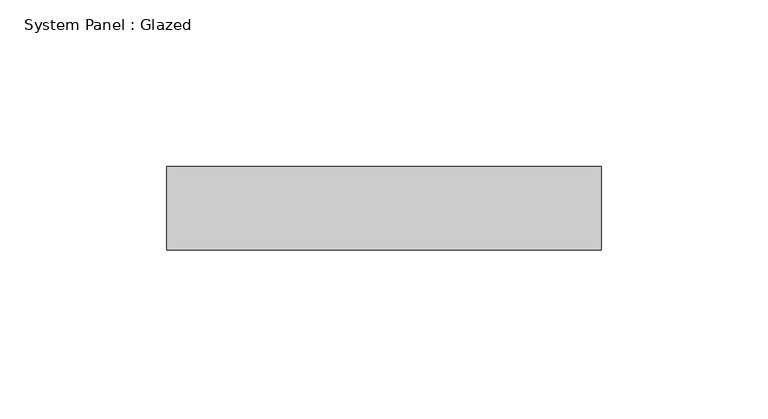
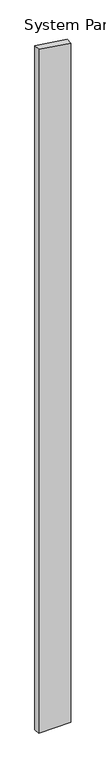
"""IFC4 building model written with IfcOpenShell, lengths in millimetres: plate geometry, System Panel : Glazed."""

from ifc_helpers import new_model, si_unit, frame, origin, place, context, project, spatial, polyline, outline, extrude, source, transform, mapped, element, save


def system_panel_glazed_44877021(model_context):
    return source(origin(), model_context, "Body", "SweptSolid", [
        extrude(outline(polyline([(0.0, -65.0), (0.0, 65.0), (2882.5948558, 65.0), (2901.8351892, -65.0), (0.0, -65.0)])), frame((0.0, 24.5, 0.0), z_axis=(0.0, 1.0, 0.0), x_axis=(0.0, 0.0, 1.0)), (0.0, 0.0, 1.0), 25.0),
    ])


if __name__ == "__main__":
    model = new_model("IFC4")
    model_context = context("Model", 3, world=origin())
    ifc_project = project(units=[si_unit("LENGTHUNIT", "METRE", prefix="MILLI")], contexts=[model_context])
    site = spatial("IfcSite", under=ifc_project)
    building = spatial("IfcBuilding", under=site)
    placement = place(None, origin())
    system_panel_glazed_shape = system_panel_glazed_44877021(model_context)
    element("IfcPlate", 1, ObjectType="System Panel : Glazed", at=placement, inside=building, context=model_context, shape_type="MappedRepresentation", body=[
        mapped(system_panel_glazed_shape, transform((0.0, 0.0, 0.0), x_axis=(1.0, 0.0, 0.0), y_axis=(0.0, 1.0, 0.0), z_axis=(0.0, 0.0, 1.0))),
    ])
    save(model, "model.ifc")
